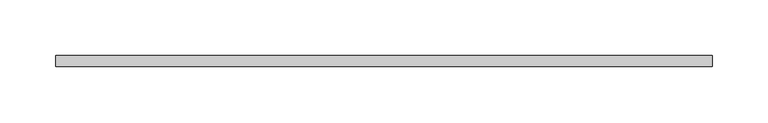
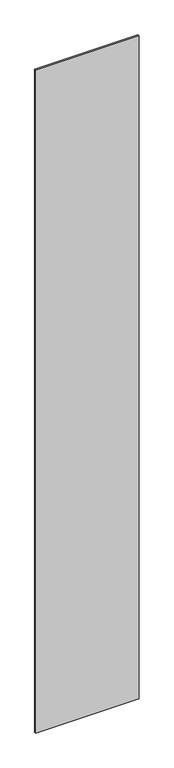
"""IFC4 building model written with IfcOpenShell, lengths in millimetres: plate geometry."""

from ifc_helpers import new_model, si_unit, origin, origin_with_axes, place, context, project, spatial, polyline, outline, extrude, source, transform, mapped, element, save


def plate_874cf74e(model_context):
    return source(origin(), model_context, "Body", "SweptSolid", [
        extrude(outline(polyline([(295.5659815, -5.0), (-295.5659815, -5.0), (-295.5659815, 5.0), (295.5659815, 5.0), (295.5659815, -5.0)])), origin_with_axes(), (0.0, 0.0, 1.0), 4000.0),
    ])


if __name__ == "__main__":
    model = new_model("IFC4")
    model_context = context("Model", 3, world=origin())
    ifc_project = project(units=[si_unit("LENGTHUNIT", "METRE", prefix="MILLI")], contexts=[model_context])
    site = spatial("IfcSite", under=ifc_project)
    building = spatial("IfcBuilding", under=site)
    placement = place(None, origin())
    plate_shape = plate_874cf74e(model_context)
    element("IfcPlate", 1, at=placement, inside=building, context=model_context, shape_type="MappedRepresentation", body=[
        mapped(plate_shape, transform((0.0, 0.0, 0.0), x_axis=(1.0, 0.0, 0.0), y_axis=(0.0, 1.0, 0.0), z_axis=(0.0, 0.0, 1.0))),
    ])
    save(model, "model.ifc")
